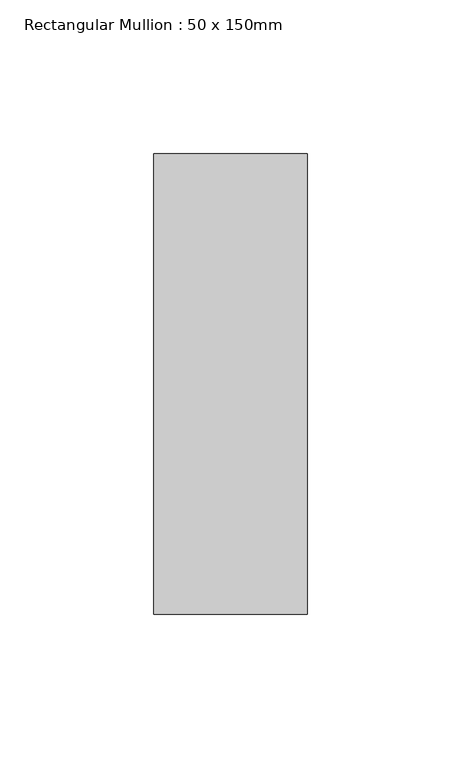
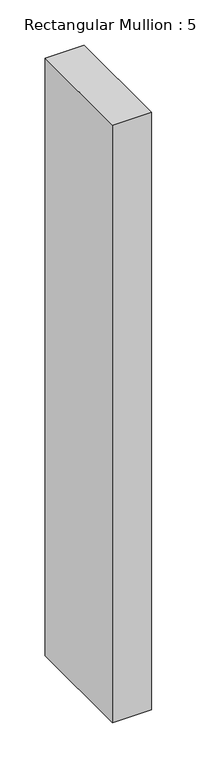
"""IFC4 building model written with IfcOpenShell, lengths in millimetres: member geometry, Rectangular Mullion : 50 x 150mm."""

import ifcopenshell
import ifcopenshell.guid

model = None  # the IFC model being written
_history = None  # IfcOwnerHistory: only IFC2X3 demands one
_inside = {}  # id of a spatial element -> (the spatial element, [elements in it])
_under = {}  # id of a project, library or spatial element -> (it, [spatial elements below it])
_declared = {}  # id of a project -> (the project, [libraries it declares])
_typed = {}  # id of a type object -> (the type object, [elements of that type])
_made_of = {}  # id of a material, layer set ... -> (it, [elements and type objects made of it])


def new_model(schema):
    """Start an empty IFC model of exactly this schema.

    Asked for "IFC4X3", IfcOpenShell would pick the latest addendum, in which some entities
    have other attributes; the version numbers below select the first issue.
    IFC2X3 requires an IfcOwnerHistory on every rooted entity: one is made here for all.
    """
    global model, _history
    if schema == "IFC4X3":
        model = ifcopenshell.file(schema_version=(4, 3, 0, 0))
    else:
        model = ifcopenshell.file(schema=schema)
    _inside.clear()
    _under.clear()
    _declared.clear()
    _typed.clear()
    _made_of.clear()
    _history = None
    if model.schema == "IFC2X3":
        org = make("IfcOrganization", Name="unknown")
        user = make(
            "IfcPersonAndOrganization",
            ThePerson=make("IfcPerson", FamilyName="unknown"),
            TheOrganization=org,
        )
        app = make(
            "IfcApplication",
            ApplicationDeveloper=org,
            Version="unknown",
            ApplicationFullName="unknown",
            ApplicationIdentifier="unknown",
        )
        _history = make(
            "IfcOwnerHistory",
            OwningUser=user,
            OwningApplication=app,
            ChangeAction="ADDED",
            CreationDate=0,
        )
    return model


def make(cls, **values):
    """One entity of the class cls with the attributes given. An attribute that is None is left unset."""
    return model.create_entity(
        cls, **{name: value for name, value in values.items() if value is not None}
    )


def rooted(cls, **values):
    """An entity with a GlobalId (a new one), such as an element, a storey or a relation."""
    return make(cls, GlobalId=ifcopenshell.guid.new(), OwnerHistory=_history, **values)


def si_unit(unit_type, name, prefix=None):
    """IfcSIUnit, for example si_unit("LENGTHUNIT", "METRE", prefix="MILLI")."""
    return make("IfcSIUnit", UnitType=unit_type, Prefix=prefix, Name=name)


def assignment(units):
    """IfcUnitAssignment: the units of a project."""
    return None if units is None else make("IfcUnitAssignment", Units=units)


def point(xyz):
    """IfcCartesianPoint."""
    return None if xyz is None else make("IfcCartesianPoint", Coordinates=xyz)


def direction(xyz):
    """IfcDirection."""
    return None if xyz is None else make("IfcDirection", DirectionRatios=xyz)


def frame(location, z_axis=None, x_axis=None):
    """IfcAxis2Placement3D, a coordinate frame: its origin and axes. An axis left out is left unset."""
    return make(
        "IfcAxis2Placement3D",
        Location=point(location),
        Axis=direction(z_axis),
        RefDirection=direction(x_axis),
    )


def origin():
    """The frame at (0, 0, 0) with its axes left unset."""
    return frame((0.0, 0.0, 0.0))


def place(relative_to, where):
    """IfcLocalPlacement: puts the frame where relative to a parent placement (None: the world)."""
    return make(
        "IfcLocalPlacement", PlacementRelTo=relative_to, RelativePlacement=where
    )


def context(
    kind, dimensions, precision=None, world=None, true_north=None, identifier=None
):
    """IfcGeometricRepresentationContext, for example the 3D "Model" context."""
    return make(
        "IfcGeometricRepresentationContext",
        ContextIdentifier=identifier,
        ContextType=kind,
        CoordinateSpaceDimension=dimensions,
        Precision=precision,
        WorldCoordinateSystem=world,
        TrueNorth=true_north,
    )


def project(units=None, contexts=None):
    """IfcProject with its units and contexts."""
    return rooted(
        "IfcProject",
        Name="project",
        RepresentationContexts=contexts,
        UnitsInContext=assignment(units),
    )


def spatial(cls, under=None, at=None, **own):
    """A site, building, storey or space (cls), placed at a placement, below another one or the project."""
    s = rooted(cls, ObjectPlacement=at, **own)
    if under is not None:
        _under.setdefault(under.id(), (under, []))[1].append(s)
    return s


def polyline(points):
    """IfcPolyline through the points."""
    return make("IfcPolyline", Points=[point(p) for p in points])


def outline(outer, holes=None, kind="AREA"):
    """IfcArbitraryClosedProfileDef: a profile drawn as a closed curve; with holes, ...WithVoids."""
    if holes is None:
        return make("IfcArbitraryClosedProfileDef", ProfileType=kind, OuterCurve=outer)
    return make(
        "IfcArbitraryProfileDefWithVoids",
        ProfileType=kind,
        OuterCurve=outer,
        InnerCurves=holes,
    )


def extrude(swept, where, along, depth):
    """IfcExtrudedAreaSolid: the profile swept, set in the frame where, extruded along a direction by depth."""
    return make(
        "IfcExtrudedAreaSolid",
        SweptArea=swept,
        Position=where,
        ExtrudedDirection=direction(along),
        Depth=depth,
    )


def shape(context_of_items, identifier, shape_type, items):
    """IfcShapeRepresentation: the items that make up one representation, for example the "Body"."""
    return make(
        "IfcShapeRepresentation",
        ContextOfItems=context_of_items,
        RepresentationIdentifier=identifier,
        RepresentationType=shape_type,
        Items=items,
    )


def source(mapping_origin, context_of_items, identifier, shape_type, items):
    """IfcRepresentationMap: a shape defined once, which mapped items show again and again."""
    return make(
        "IfcRepresentationMap",
        MappingOrigin=mapping_origin,
        MappedRepresentation=shape(context_of_items, identifier, shape_type, items),
    )


def transform(
    local_origin,
    x_axis=None,
    y_axis=None,
    z_axis=None,
    scale=None,
    scale2=None,
    scale3=None,
    uniform=True,
):
    """IfcCartesianTransformationOperator3D, or its non-uniform kind. x_axis, y_axis, z_axis: its Axis1, 2, 3."""
    if uniform:
        return make(
            "IfcCartesianTransformationOperator3D",
            Axis1=direction(x_axis),
            Axis2=direction(y_axis),
            LocalOrigin=point(local_origin),
            Scale=scale,
            Axis3=direction(z_axis),
        )
    return make(
        "IfcCartesianTransformationOperator3DnonUniform",
        Axis1=direction(x_axis),
        Axis2=direction(y_axis),
        LocalOrigin=point(local_origin),
        Scale=scale,
        Axis3=direction(z_axis),
        Scale2=scale2,
        Scale3=scale3,
    )


def mapped(mapping_source, mapping_target):
    """IfcMappedItem: shows the shape of a source again, moved by a transform."""
    return make(
        "IfcMappedItem", MappingSource=mapping_source, MappingTarget=mapping_target
    )


def made_of(thing, what):
    """Note that an element or type object is made of a material, layer set ...; save() writes the relation."""
    if what is not None:
        _made_of.setdefault(what.id(), (what, []))[1].append(thing)
    return thing


def element(
    cls,
    number,
    at=None,
    inside=None,
    cuts=None,
    type_object=None,
    material=None,
    context=None,
    identifier="Body",
    shape_type=None,
    held_by="IfcProductDefinitionShape",
    body=None,
    shapes=None,
    **own,
):
    """One element of the class cls, such as IfcWall. Its Tag is "e" and its number.

    at: its placement. inside: the storey or other place that contains it. cuts: it is an
    opening in that element (IfcRelVoidsElement). A single representation is given by context,
    identifier, shape_type and body (its items); several are given by shapes. held_by: the class
    of the entity that holds the representations. save() writes the other relations.
    """
    e = rooted(cls, Tag="e%d" % number, ObjectPlacement=at, **own)
    if body is not None:
        shapes = [shape(context, identifier, shape_type, body)]
    if shapes is not None:
        e.Representation = make(held_by, Representations=shapes)
    if inside is not None:
        _inside.setdefault(inside.id(), (inside, []))[1].append(e)
    if cuts is not None:
        rooted(
            "IfcRelVoidsElement", RelatingBuildingElement=cuts, RelatedOpeningElement=e
        )
    if type_object is not None:
        _typed.setdefault(type_object.id(), (type_object, []))[1].append(e)
    return made_of(e, material)


def aggregate(whole, parts):
    """IfcRelAggregates: a whole, such as a stair, and the parts it consists of."""
    return rooted("IfcRelAggregates", RelatingObject=whole, RelatedObjects=parts)


def save(model, path):
    """Write the relations noted so far, then the file.

    IfcRelAggregates (storeys below a building ...), IfcRelContainedInSpatialStructure (elements
    in a storey), IfcRelDefinesByType, IfcRelAssociatesMaterial and IfcRelDeclares: one each for
    every whole, place, type object, material and project.
    """
    for whole, parts in _under.values():
        aggregate(whole, parts)
    for where, things in _inside.values():
        rooted(
            "IfcRelContainedInSpatialStructure",
            RelatedElements=things,
            RelatingStructure=where,
        )
    for kind, things in _typed.values():
        rooted("IfcRelDefinesByType", RelatedObjects=things, RelatingType=kind)
    for what, things in _made_of.values():
        rooted("IfcRelAssociatesMaterial", RelatedObjects=things, RelatingMaterial=what)
    for by, libraries in _declared.values():
        rooted("IfcRelDeclares", RelatingContext=by, RelatedDefinitions=libraries)
    model.write(path)


def rectangular_mullion_50_x_150mm_94c31bd2(model_context):
    return source(origin(), model_context, "Body", "SweptSolid", [
        extrude(outline(polyline([(25.0, 75.0), (25.0, -75.0), (-25.0, -75.0), (-25.0, 75.0), (25.0, 75.0)])), frame((0.0, 0.0, -808.3333333), z_axis=(0.0, 0.0, 1.0), x_axis=(1.0, 0.0, 0.0)), (0.0, 0.0, 1.0), 808.3333333),
    ])


if __name__ == "__main__":
    model = new_model("IFC4")
    model_context = context("Model", 3, world=origin())
    ifc_project = project(units=[si_unit("LENGTHUNIT", "METRE", prefix="MILLI")], contexts=[model_context])
    site = spatial("IfcSite", under=ifc_project)
    building = spatial("IfcBuilding", under=site)
    placement = place(None, origin())
    rectangular_mullion_50_x_150mm_shape = rectangular_mullion_50_x_150mm_94c31bd2(model_context)
    element("IfcMember", 1, ObjectType="Rectangular Mullion : 50 x 150mm", at=placement, inside=building, context=model_context, shape_type="MappedRepresentation", body=[
        mapped(rectangular_mullion_50_x_150mm_shape, transform((0.0, 0.0, 0.0), x_axis=(1.0, 0.0, 0.0), y_axis=(0.0, 1.0, 0.0), z_axis=(0.0, 0.0, 1.0))),
    ])
    save(model, "model.ifc")
